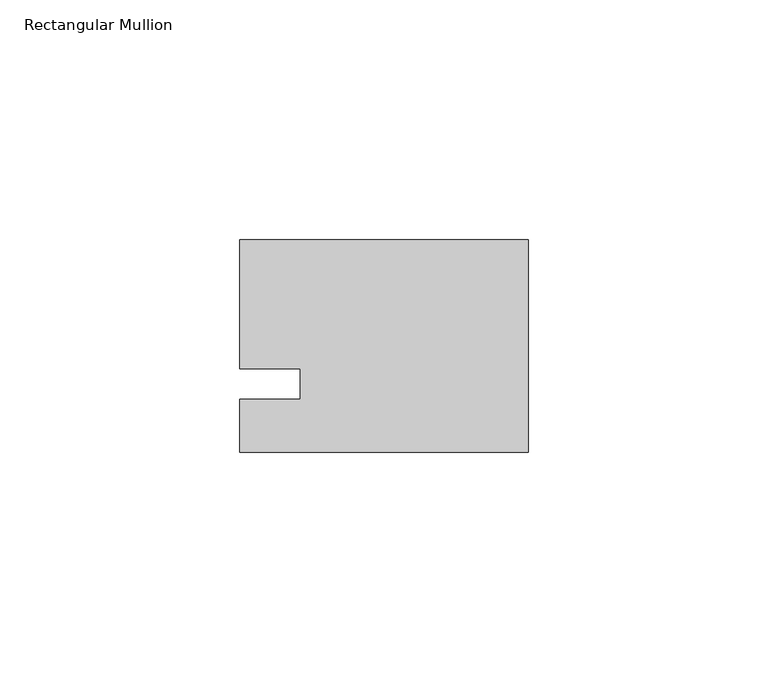
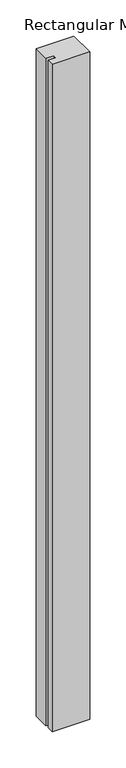
"""IFC4 building model written with IfcOpenShell, lengths in millimetres: member geometry, Rectangular Mullion."""

from ifc_helpers import new_model, si_unit, frame, origin, place, context, project, spatial, polyline, outline, extrude, source, transform, mapped, element, save


def rectangular_mullion_fdefca77(model_context):
    return source(origin(), model_context, "Body", "SweptSolid", [
        extrude(outline(polyline([(-60.325, 30.1625), (0.0, 30.1625), (0.0, -14.2875), (-60.325, -14.2875), (-60.325, -3.175), (-47.6232296, -3.175), (-47.6232296, 3.175), (-60.325, 3.175), (-60.325, 30.1625)])), frame((0.0, 0.0, -1130.3), z_axis=(0.0, 0.0, 1.0), x_axis=(1.0, 0.0, 0.0)), (0.0, 0.0, 1.0), 1130.3),
    ])


if __name__ == "__main__":
    model = new_model("IFC4")
    model_context = context("Model", 3, world=origin())
    ifc_project = project(units=[si_unit("LENGTHUNIT", "METRE", prefix="MILLI")], contexts=[model_context])
    site = spatial("IfcSite", under=ifc_project)
    building = spatial("IfcBuilding", under=site)
    placement = place(None, origin())
    rectangular_mullion_shape = rectangular_mullion_fdefca77(model_context)
    element("IfcMember", 1, ObjectType="Rectangular Mullion", at=placement, inside=building, context=model_context, shape_type="MappedRepresentation", body=[
        mapped(rectangular_mullion_shape, transform((0.0, 0.0, 0.0), x_axis=(1.0, 0.0, 0.0), y_axis=(0.0, 1.0, 0.0), z_axis=(0.0, 0.0, 1.0))),
    ])
    save(model, "model.ifc")
